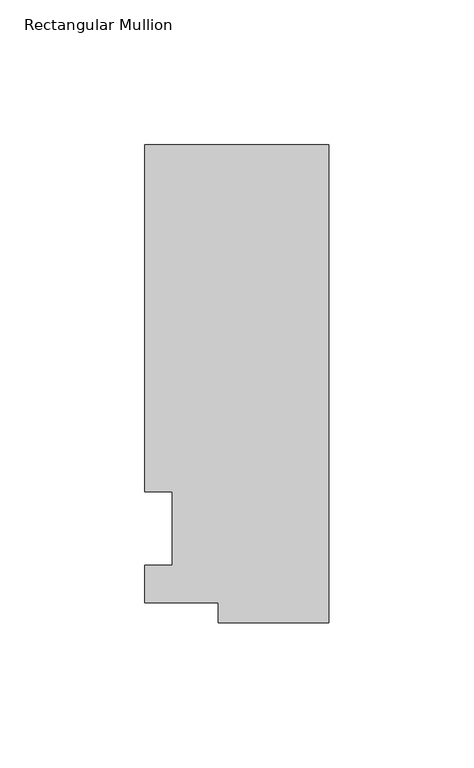
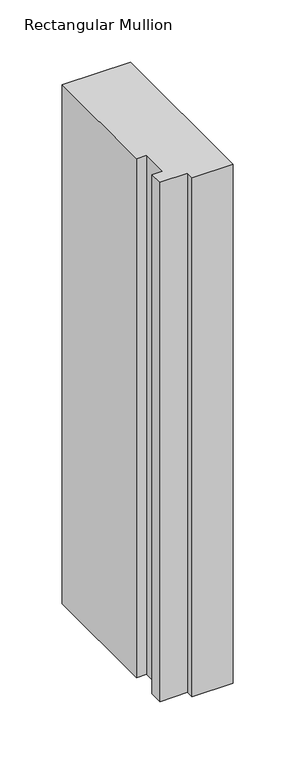
"""IFC4 building model written with IfcOpenShell, lengths in millimetres: member geometry, Rectangular Mullion."""

from ifc_helpers import new_model, si_unit, frame, origin, place, context, project, spatial, polyline, outline, extrude, source, transform, mapped, element, save


def rectangular_mullion_1be0454c(model_context):
    return source(origin(), model_context, "Body", "SweptSolid", [
        extrude(outline(polyline([(-38.1, -32.54375), (-38.1, -25.58415), (-63.5, -25.58415), (-63.5, -12.7), (-53.975, -12.7), (-53.975, 12.7), (-63.5, 12.7), (-63.5, 132.55625), (0.0, 132.55625), (0.0, -32.54375), (-38.1, -32.54375)])), frame((0.0, 0.0, -509.6488917), z_axis=(0.0, 0.0, 1.0), x_axis=(1.0, 0.0, 0.0)), (0.0, 0.0, 1.0), 509.6488917),
    ])


if __name__ == "__main__":
    model = new_model("IFC4")
    model_context = context("Model", 3, world=origin())
    ifc_project = project(units=[si_unit("LENGTHUNIT", "METRE", prefix="MILLI")], contexts=[model_context])
    site = spatial("IfcSite", under=ifc_project)
    building = spatial("IfcBuilding", under=site)
    placement = place(None, origin())
    rectangular_mullion_shape = rectangular_mullion_1be0454c(model_context)
    element("IfcMember", 1, ObjectType="Rectangular Mullion", at=placement, inside=building, context=model_context, shape_type="MappedRepresentation", body=[
        mapped(rectangular_mullion_shape, transform((0.0, 0.0, 0.0), x_axis=(1.0, 0.0, 0.0), y_axis=(0.0, 1.0, 0.0), z_axis=(0.0, 0.0, 1.0))),
    ])
    save(model, "model.ifc")
